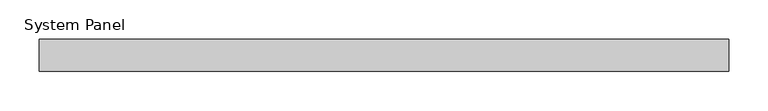
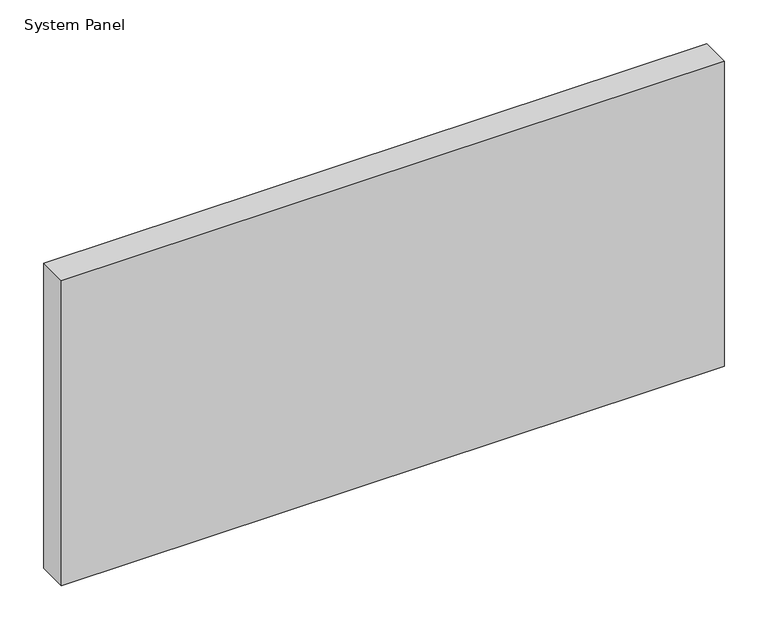
"""IFC4 building model written with IfcOpenShell, lengths in millimetres: plate geometry, System Panel."""

import ifcopenshell
import ifcopenshell.guid

model = None  # the IFC model being written
_history = None  # IfcOwnerHistory: only IFC2X3 demands one
_inside = {}  # id of a spatial element -> (the spatial element, [elements in it])
_under = {}  # id of a project, library or spatial element -> (it, [spatial elements below it])
_declared = {}  # id of a project -> (the project, [libraries it declares])
_typed = {}  # id of a type object -> (the type object, [elements of that type])
_made_of = {}  # id of a material, layer set ... -> (it, [elements and type objects made of it])


def new_model(schema):
    """Start an empty IFC model of exactly this schema.

    Asked for "IFC4X3", IfcOpenShell would pick the latest addendum, in which some entities
    have other attributes; the version numbers below select the first issue.
    IFC2X3 requires an IfcOwnerHistory on every rooted entity: one is made here for all.
    """
    global model, _history
    if schema == "IFC4X3":
        model = ifcopenshell.file(schema_version=(4, 3, 0, 0))
    else:
        model = ifcopenshell.file(schema=schema)
    _inside.clear()
    _under.clear()
    _declared.clear()
    _typed.clear()
    _made_of.clear()
    _history = None
    if model.schema == "IFC2X3":
        org = make("IfcOrganization", Name="unknown")
        user = make(
            "IfcPersonAndOrganization",
            ThePerson=make("IfcPerson", FamilyName="unknown"),
            TheOrganization=org,
        )
        app = make(
            "IfcApplication",
            ApplicationDeveloper=org,
            Version="unknown",
            ApplicationFullName="unknown",
            ApplicationIdentifier="unknown",
        )
        _history = make(
            "IfcOwnerHistory",
            OwningUser=user,
            OwningApplication=app,
            ChangeAction="ADDED",
            CreationDate=0,
        )
    return model


def make(cls, **values):
    """One entity of the class cls with the attributes given. An attribute that is None is left unset."""
    return model.create_entity(
        cls, **{name: value for name, value in values.items() if value is not None}
    )


def rooted(cls, **values):
    """An entity with a GlobalId (a new one), such as an element, a storey or a relation."""
    return make(cls, GlobalId=ifcopenshell.guid.new(), OwnerHistory=_history, **values)


def si_unit(unit_type, name, prefix=None):
    """IfcSIUnit, for example si_unit("LENGTHUNIT", "METRE", prefix="MILLI")."""
    return make("IfcSIUnit", UnitType=unit_type, Prefix=prefix, Name=name)


def assignment(units):
    """IfcUnitAssignment: the units of a project."""
    return None if units is None else make("IfcUnitAssignment", Units=units)


def point(xyz):
    """IfcCartesianPoint."""
    return None if xyz is None else make("IfcCartesianPoint", Coordinates=xyz)


def direction(xyz):
    """IfcDirection."""
    return None if xyz is None else make("IfcDirection", DirectionRatios=xyz)


def frame(location, z_axis=None, x_axis=None):
    """IfcAxis2Placement3D, a coordinate frame: its origin and axes. An axis left out is left unset."""
    return make(
        "IfcAxis2Placement3D",
        Location=point(location),
        Axis=direction(z_axis),
        RefDirection=direction(x_axis),
    )


def origin():
    """The frame at (0, 0, 0) with its axes left unset."""
    return frame((0.0, 0.0, 0.0))


def origin_with_axes():
    """The frame at (0, 0, 0) with the z axis (0, 0, 1) and the x axis (1, 0, 0) written out."""
    return frame((0.0, 0.0, 0.0), z_axis=(0.0, 0.0, 1.0), x_axis=(1.0, 0.0, 0.0))


def place(relative_to, where):
    """IfcLocalPlacement: puts the frame where relative to a parent placement (None: the world)."""
    return make(
        "IfcLocalPlacement", PlacementRelTo=relative_to, RelativePlacement=where
    )


def context(
    kind, dimensions, precision=None, world=None, true_north=None, identifier=None
):
    """IfcGeometricRepresentationContext, for example the 3D "Model" context."""
    return make(
        "IfcGeometricRepresentationContext",
        ContextIdentifier=identifier,
        ContextType=kind,
        CoordinateSpaceDimension=dimensions,
        Precision=precision,
        WorldCoordinateSystem=world,
        TrueNorth=true_north,
    )


def project(units=None, contexts=None):
    """IfcProject with its units and contexts."""
    return rooted(
        "IfcProject",
        Name="project",
        RepresentationContexts=contexts,
        UnitsInContext=assignment(units),
    )


def spatial(cls, under=None, at=None, **own):
    """A site, building, storey or space (cls), placed at a placement, below another one or the project."""
    s = rooted(cls, ObjectPlacement=at, **own)
    if under is not None:
        _under.setdefault(under.id(), (under, []))[1].append(s)
    return s


def polyline(points):
    """IfcPolyline through the points."""
    return make("IfcPolyline", Points=[point(p) for p in points])


def outline(outer, holes=None, kind="AREA"):
    """IfcArbitraryClosedProfileDef: a profile drawn as a closed curve; with holes, ...WithVoids."""
    if holes is None:
        return make("IfcArbitraryClosedProfileDef", ProfileType=kind, OuterCurve=outer)
    return make(
        "IfcArbitraryProfileDefWithVoids",
        ProfileType=kind,
        OuterCurve=outer,
        InnerCurves=holes,
    )


def extrude(swept, where, along, depth):
    """IfcExtrudedAreaSolid: the profile swept, set in the frame where, extruded along a direction by depth."""
    return make(
        "IfcExtrudedAreaSolid",
        SweptArea=swept,
        Position=where,
        ExtrudedDirection=direction(along),
        Depth=depth,
    )


def shape(context_of_items, identifier, shape_type, items):
    """IfcShapeRepresentation: the items that make up one representation, for example the "Body"."""
    return make(
        "IfcShapeRepresentation",
        ContextOfItems=context_of_items,
        RepresentationIdentifier=identifier,
        RepresentationType=shape_type,
        Items=items,
    )


def source(mapping_origin, context_of_items, identifier, shape_type, items):
    """IfcRepresentationMap: a shape defined once, which mapped items show again and again."""
    return make(
        "IfcRepresentationMap",
        MappingOrigin=mapping_origin,
        MappedRepresentation=shape(context_of_items, identifier, shape_type, items),
    )


def transform(
    local_origin,
    x_axis=None,
    y_axis=None,
    z_axis=None,
    scale=None,
    scale2=None,
    scale3=None,
    uniform=True,
):
    """IfcCartesianTransformationOperator3D, or its non-uniform kind. x_axis, y_axis, z_axis: its Axis1, 2, 3."""
    if uniform:
        return make(
            "IfcCartesianTransformationOperator3D",
            Axis1=direction(x_axis),
            Axis2=direction(y_axis),
            LocalOrigin=point(local_origin),
            Scale=scale,
            Axis3=direction(z_axis),
        )
    return make(
        "IfcCartesianTransformationOperator3DnonUniform",
        Axis1=direction(x_axis),
        Axis2=direction(y_axis),
        LocalOrigin=point(local_origin),
        Scale=scale,
        Axis3=direction(z_axis),
        Scale2=scale2,
        Scale3=scale3,
    )


def mapped(mapping_source, mapping_target):
    """IfcMappedItem: shows the shape of a source again, moved by a transform."""
    return make(
        "IfcMappedItem", MappingSource=mapping_source, MappingTarget=mapping_target
    )


def made_of(thing, what):
    """Note that an element or type object is made of a material, layer set ...; save() writes the relation."""
    if what is not None:
        _made_of.setdefault(what.id(), (what, []))[1].append(thing)
    return thing


def element(
    cls,
    number,
    at=None,
    inside=None,
    cuts=None,
    type_object=None,
    material=None,
    context=None,
    identifier="Body",
    shape_type=None,
    held_by="IfcProductDefinitionShape",
    body=None,
    shapes=None,
    **own,
):
    """One element of the class cls, such as IfcWall. Its Tag is "e" and its number.

    at: its placement. inside: the storey or other place that contains it. cuts: it is an
    opening in that element (IfcRelVoidsElement). A single representation is given by context,
    identifier, shape_type and body (its items); several are given by shapes. held_by: the class
    of the entity that holds the representations. save() writes the other relations.
    """
    e = rooted(cls, Tag="e%d" % number, ObjectPlacement=at, **own)
    if body is not None:
        shapes = [shape(context, identifier, shape_type, body)]
    if shapes is not None:
        e.Representation = make(held_by, Representations=shapes)
    if inside is not None:
        _inside.setdefault(inside.id(), (inside, []))[1].append(e)
    if cuts is not None:
        rooted(
            "IfcRelVoidsElement", RelatingBuildingElement=cuts, RelatedOpeningElement=e
        )
    if type_object is not None:
        _typed.setdefault(type_object.id(), (type_object, []))[1].append(e)
    return made_of(e, material)


def aggregate(whole, parts):
    """IfcRelAggregates: a whole, such as a stair, and the parts it consists of."""
    return rooted("IfcRelAggregates", RelatingObject=whole, RelatedObjects=parts)


def save(model, path):
    """Write the relations noted so far, then the file.

    IfcRelAggregates (storeys below a building ...), IfcRelContainedInSpatialStructure (elements
    in a storey), IfcRelDefinesByType, IfcRelAssociatesMaterial and IfcRelDeclares: one each for
    every whole, place, type object, material and project.
    """
    for whole, parts in _under.values():
        aggregate(whole, parts)
    for where, things in _inside.values():
        rooted(
            "IfcRelContainedInSpatialStructure",
            RelatedElements=things,
            RelatingStructure=where,
        )
    for kind, things in _typed.values():
        rooted("IfcRelDefinesByType", RelatedObjects=things, RelatingType=kind)
    for what, things in _made_of.values():
        rooted("IfcRelAssociatesMaterial", RelatedObjects=things, RelatingMaterial=what)
    for by, libraries in _declared.values():
        rooted("IfcRelDeclares", RelatingContext=by, RelatedDefinitions=libraries)
    model.write(path)


def system_panel_420333a9(model_context):
    return source(origin(), model_context, "Body", "SweptSolid", [
        extrude(outline(polyline([(436.6666667, -54.0), (-436.6666667, -54.0), (-436.6666667, -14.0), (436.6666667, -14.0), (436.6666667, -54.0)])), origin_with_axes(), (0.0, 0.0, 1.0), 425.0),
    ])


if __name__ == "__main__":
    model = new_model("IFC4")
    model_context = context("Model", 3, world=origin())
    ifc_project = project(units=[si_unit("LENGTHUNIT", "METRE", prefix="MILLI")], contexts=[model_context])
    site = spatial("IfcSite", under=ifc_project)
    building = spatial("IfcBuilding", under=site)
    placement = place(None, origin())
    system_panel_shape = system_panel_420333a9(model_context)
    element("IfcPlate", 1, ObjectType="System Panel", at=placement, inside=building, context=model_context, shape_type="MappedRepresentation", body=[
        mapped(system_panel_shape, transform((0.0, 0.0, 0.0), x_axis=(1.0, 0.0, 0.0), y_axis=(0.0, 1.0, 0.0), z_axis=(0.0, 0.0, 1.0))),
    ])
    save(model, "model.ifc")
